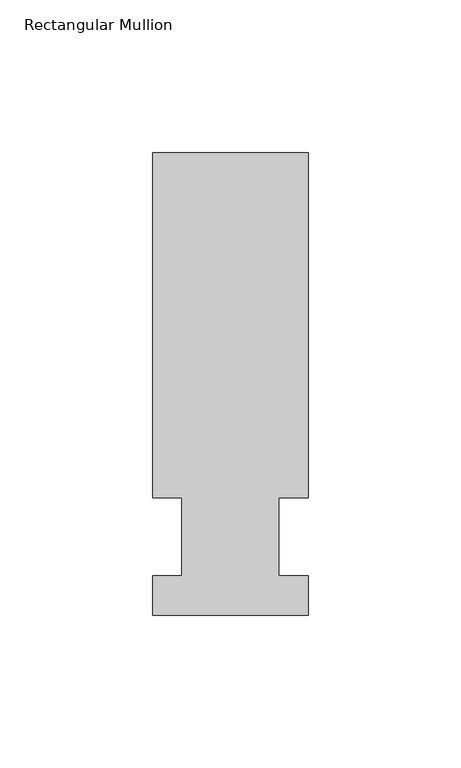
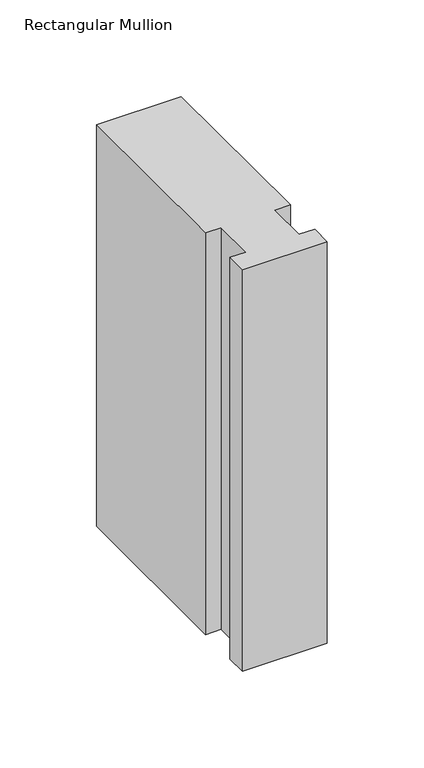
"""IFC4 building model written with IfcOpenShell, lengths in millimetres: member geometry, Rectangular Mullion."""

from ifc_helpers import new_model, si_unit, frame, origin, place, context, project, spatial, polyline, outline, extrude, source, transform, mapped, element, save


def rectangular_mullion_c13e4a67(model_context):
    return source(origin(), model_context, "Body", "SweptSolid", [
        extrude(outline(polyline([(-25.4, -25.5984375), (-25.4, -12.7), (-15.875, -12.7), (-15.875, 12.7), (-25.4, 12.7), (-25.4, 125.6109375), (25.4, 125.6109375), (25.4, 12.7), (15.875, 12.7), (15.875, -12.7), (25.4, -12.7), (25.4, -25.5984375), (-25.4, -25.5984375)])), frame((0.0, 0.0, -254.0), z_axis=(0.0, 0.0, 1.0), x_axis=(1.0, 0.0, 0.0)), (0.0, 0.0, 1.0), 254.0),
    ])


if __name__ == "__main__":
    model = new_model("IFC4")
    model_context = context("Model", 3, world=origin())
    ifc_project = project(units=[si_unit("LENGTHUNIT", "METRE", prefix="MILLI")], contexts=[model_context])
    site = spatial("IfcSite", under=ifc_project)
    building = spatial("IfcBuilding", under=site)
    placement = place(None, origin())
    rectangular_mullion_shape = rectangular_mullion_c13e4a67(model_context)
    element("IfcMember", 1, ObjectType="Rectangular Mullion", at=placement, inside=building, context=model_context, shape_type="MappedRepresentation", body=[
        mapped(rectangular_mullion_shape, transform((0.0, 0.0, 0.0), x_axis=(1.0, 0.0, 0.0), y_axis=(0.0, 1.0, 0.0), z_axis=(0.0, 0.0, 1.0))),
    ])
    save(model, "model.ifc")
